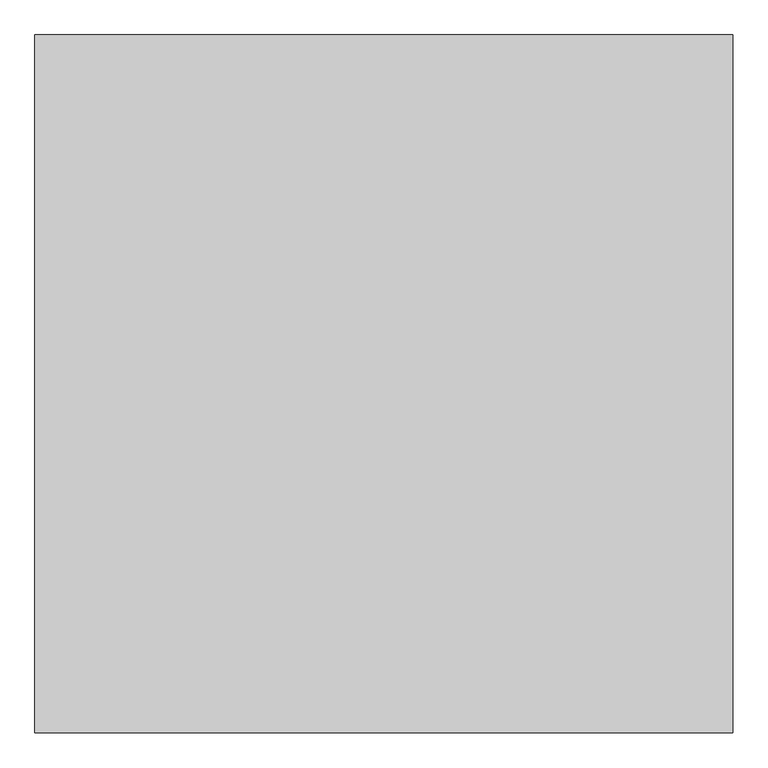
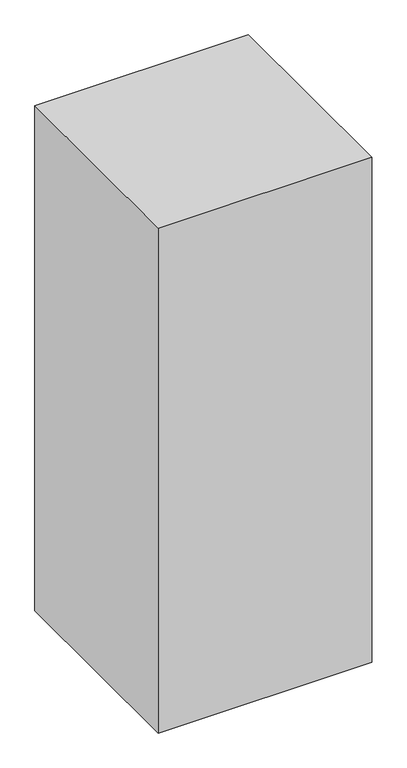
"""IFC4 building model written with IfcOpenShell, lengths in millimetres: proxy geometry."""

from ifc_helpers import new_model, si_unit, origin, origin_with_axes, place, context, project, spatial, polyline, outline, extrude, source, transform, mapped, element, save


def generic_models_b5f72ace(model_context):
    return source(origin(), model_context, "Body", "SweptSolid", [
        extrude(outline(polyline([(-480.7030535, 40.8346095), (-480.7030535, -19959.1653905), (-20480.7030535, -19959.1653905), (-20480.7030535, 40.8346095), (-480.7030535, 40.8346095)])), origin_with_axes(), (0.0, 0.0, 1.0), 50000.0),
    ])


if __name__ == "__main__":
    model = new_model("IFC4")
    model_context = context("Model", 3, world=origin())
    ifc_project = project(units=[si_unit("LENGTHUNIT", "METRE", prefix="MILLI")], contexts=[model_context])
    site = spatial("IfcSite", under=ifc_project)
    building = spatial("IfcBuilding", under=site)
    placement = place(None, origin())
    generic_models_shape = generic_models_b5f72ace(model_context)
    element("IfcBuildingElementProxy", 1, Name="Generic Models", at=placement, inside=building, context=model_context, shape_type="MappedRepresentation", body=[
        mapped(generic_models_shape, transform((0.0, 0.0, 0.0), x_axis=(1.0, 0.0, 0.0), y_axis=(0.0, 1.0, 0.0), z_axis=(0.0, 0.0, 1.0))),
    ])
    save(model, "model.ifc")
